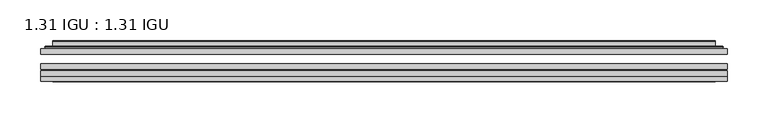
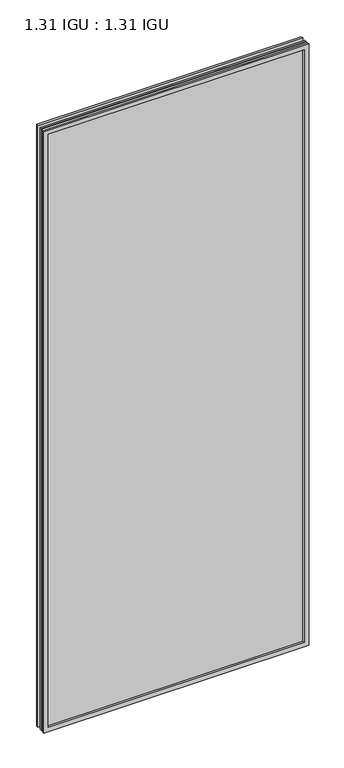
"""IFC4 building model written with IfcOpenShell, lengths in millimetres: plate geometry, 1.31 IGU : 1.31 IGU."""

from ifc_helpers import new_model, si_unit, frame, origin, place, context, project, spatial, polyline, ellipse_curve, outline, extrude, faceted_brep, source, transform, mapped, element, save
from ifc_brep_helpers import plane_surface, cylinder_surface, advanced_brep


def plate_1_31_igu_1_31_igu_866053e2(model_context):
    return source(origin(), model_context, "Body", "SolidModel", [
        extrude(outline(polyline([(419.1140393, -63.2975937), (419.1140393, -69.6475938), (-419.0998644, -69.6475938), (-419.0998644, -63.2975937), (419.1140393, -63.2975937)])), frame((0.0, 0.0, -14.2875), z_axis=(0.0, 0.0, 1.0), x_axis=(1.0, 0.0, 0.0)), (0.0, 0.0, 1.0), 2009.7787982),
        extrude(outline(polyline([(-419.0998644, -78.2835938), (-419.0998644, -71.9330887), (419.1140393, -71.9330887), (419.1140393, -78.2835938), (-419.0998644, -78.2835938)])), frame((0.0, 0.0, -14.2875), z_axis=(0.0, 0.0, 1.0), x_axis=(1.0, 0.0, 0.0)), (0.0, 0.0, 1.0), 2009.7787982),
        extrude(outline(polyline([(419.1140393, -44.9587937), (419.1140393, -51.3087938), (-419.0998644, -51.3087938), (-419.0998644, -44.9587937), (419.1140393, -44.9587937)])), frame((0.0, 0.0, -14.2875), z_axis=(0.0, 0.0, 1.0), x_axis=(1.0, 0.0, 0.0)), (0.0, 0.0, 1.0), 2009.7787982),
        faceted_brep([(-419.1125644, -84.6335937, 1995.5002003), (-419.1125644, -78.2835937, 1995.5002003), (-419.1125644, -78.2835937, -14.3002), (-419.1125644, -84.6335937, -14.3002), (419.1125644, -78.2835937, -14.3002), (419.1125644, -84.6335937, -14.3002), (419.1125644, -78.2835937, 1995.5002003), (419.1125644, -84.6335937, 1995.5002003), (-403.9146202, -78.2835937, 0.8977441), (403.9146202, -78.2835937, 0.8977441), (403.9146202, -78.2835937, 1980.3022561), (-403.9146202, -78.2835937, 1980.3022561), (-404.8070545, -84.6335937, 1981.1946904), (404.8070545, -84.6335937, 1981.1946904), (404.8070545, -84.6335937, 0.0053098), (-404.8070545, -84.6335937, 0.0053098)], [[[0, 1, 2, 3]], [[3, 2, 4, 5]], [[5, 4, 6, 7]], [[1, 6, 4, 2], [8, 9, 10, 11]], [[7, 6, 1, 0]], [[3, 5, 7, 0], [12, 13, 14, 15]], [[11, 12, 15, 8]], [[8, 15, 14, 9]], [[9, 14, 13, 10]], [[10, 13, 12, 11]]]),
        advanced_brep(
        [(-411.8585834, -44.9587937, 1988.2462193), (-414.2127888, -42.9691271, 1990.6004247), (-414.2127888, -42.9691271, -9.4004244), (-411.8585834, -44.9587937, -7.046219), (-402.7842583, -41.1187568, 1979.1718942), (-397.8494264, -44.9587937, 1974.2370623), (-397.8494264, -44.9587937, 6.9629379), (-402.7842583, -41.1187568, 2.0281061), (-403.816286, -35.7215256, 1980.2039219), (-403.816286, -35.7215256, 0.9960783), (-404.8069428, -35.3225507, 1981.1945787), (-404.8069428, -35.3225507, 0.0054216), (-404.8069428, -41.7837937, 1981.1945787), (-404.8069428, -41.7837937, 0.0054216), (-413.2109992, -41.7837937, 1989.5986351), (-413.2109992, -41.7837937, -8.3986349), (414.2127888, -42.9691271, -9.4004244), (411.8585834, -44.9587937, -7.046219), (397.8494264, -44.9587937, 6.9629379), (402.7842583, -41.1187568, 2.0281061), (403.816286, -35.7215256, 0.9960783), (404.8069428, -35.3225507, 0.0054216), (404.8069428, -41.7837937, 0.0054216), (413.2109992, -41.7837937, -8.3986349), (414.2127888, -42.9691271, 1990.6004247), (411.8585834, -44.9587937, 1988.2462193), (397.8494264, -44.9587937, 1974.2370623), (402.7842583, -41.1187568, 1979.1718942), (403.816286, -35.7215256, 1980.2039219), (404.8069428, -35.3225507, 1981.1945787), (404.8069428, -41.7837937, 1981.1945787), (413.2109992, -41.7837937, 1989.5986351)],
        [
            (0, 1, ellipse_curve(frame((-411.8585834, -42.5711937, 1988.2462193), z_axis=(-0.7071067811865475, 0.0, -0.7071067811865475), x_axis=(-0.7071067811865474, 0.0, 0.7071067811865476)), 3.3765763, 2.3876)),
            (1, 2),
            (2, 3, ellipse_curve(frame((-411.8585834, -42.5711937, -7.046219), z_axis=(-0.7071067811865475, 0.0, 0.7071067811865475), x_axis=(0.7071067811865474, 0.0, 0.7071067811865476)), 3.3765763, 2.3876)),
            (3, 0),
            (4, 5),
            (5, 6),
            (6, 7),
            (7, 4),
            (8, 4),
            (7, 9),
            (9, 8),
            (10, 8, ellipse_curve(frame((-404.4399862, -35.840786, 1980.8276221), z_axis=(-0.7071067811865475, 0.0, -0.7071067811865475), x_axis=(-0.7071067811865474, 0.0, 0.7071067811865476)), 0.8980256, 0.635)),
            (9, 11, ellipse_curve(frame((-404.4399862, -35.840786, 0.3723781), z_axis=(-0.7071067811865475, 0.0, 0.7071067811865475), x_axis=(0.7071067811865474, 0.0, 0.7071067811865476)), 0.8980256, 0.635)),
            (11, 10),
            (12, 10),
            (11, 13),
            (13, 12),
            (1, 14, ellipse_curve(frame((-413.2109992, -42.7997937, 1989.5986351), z_axis=(-0.7071067811865475, 0.0, -0.7071067811865475), x_axis=(-0.7071067811865474, 0.0, 0.7071067811865476)), 1.436841, 1.016)),
            (14, 15),
            (15, 2, ellipse_curve(frame((-413.2109992, -42.7997937, -8.3986349), z_axis=(-0.7071067811865475, 0.0, 0.7071067811865475), x_axis=(0.7071067811865474, 0.0, 0.7071067811865476)), 1.436841, 1.016)),
            (2, 16),
            (16, 17, ellipse_curve(frame((411.8585834, -42.5711937, -7.046219), z_axis=(-0.7071067811865475, 0.0, -0.7071067811865475), x_axis=(-0.7071067811865476, 0.0, 0.7071067811865474)), 3.3765763, 2.3876)),
            (17, 3),
            (6, 18),
            (18, 19),
            (19, 7),
            (19, 20),
            (20, 9),
            (20, 21, ellipse_curve(frame((404.4399862, -35.840786, 0.3723781), z_axis=(-0.7071067811865475, 0.0, -0.7071067811865475), x_axis=(-0.7071067811865476, 0.0, 0.7071067811865474)), 0.8980256, 0.635)),
            (21, 11),
            (21, 22),
            (22, 13),
            (15, 23),
            (23, 16, ellipse_curve(frame((413.2109992, -42.7997937, -8.3986349), z_axis=(-0.7071067811865475, 0.0, -0.7071067811865475), x_axis=(-0.7071067811865476, 0.0, 0.7071067811865474)), 1.436841, 1.016)),
            (16, 24),
            (24, 25, ellipse_curve(frame((411.8585834, -42.5711937, 1988.2462193), z_axis=(0.7071067811865475, 0.0, -0.7071067811865475), x_axis=(-0.7071067811865474, 0.0, -0.7071067811865476)), 3.3765763, 2.3876)),
            (25, 17),
            (18, 26),
            (26, 27),
            (27, 19),
            (27, 28),
            (28, 20),
            (28, 29, ellipse_curve(frame((404.4399862, -35.840786, 1980.8276221), z_axis=(0.7071067811865475, 0.0, -0.7071067811865475), x_axis=(-0.7071067811865474, 0.0, -0.7071067811865476)), 0.8980256, 0.635)),
            (29, 21),
            (29, 30),
            (30, 22),
            (23, 31),
            (31, 24, ellipse_curve(frame((413.2109992, -42.7997937, 1989.5986351), z_axis=(0.7071067811865475, 0.0, -0.7071067811865475), x_axis=(-0.7071067811865474, 0.0, -0.7071067811865476)), 1.436841, 1.016)),
            (24, 1),
            (0, 25),
            (5, 26),
            (4, 27),
            (8, 28),
            (10, 29),
            (12, 30),
            (14, 31),
        ],
        [
            cylinder_surface(frame((-411.8585834, -42.5711937, 2012.9500003), z_axis=(0.0, 0.0, 1.0), x_axis=(-1.0, 0.0, 0.0)), 2.3876),
            plane_surface(frame((-397.8494264, -44.9587937, 1974.2370623), z_axis=(0.6141233906514794, 0.7892100234124821, 0.0), x_axis=(0.0, 0.0, -1.0))),
            plane_surface(frame((-402.7842583, -41.1187568, 1979.1718942), z_axis=(0.9822050625507729, 0.18781164793386076, 0.0), x_axis=(0.0, 0.0, -1.0))),
            cylinder_surface(frame((-404.4399862, -35.840786, 2012.9500003), z_axis=(0.0, 0.0, 1.0), x_axis=(-1.0, 0.0, 0.0)), 0.635),
            plane_surface(frame((-404.8069428, -35.3225507, 1981.1945787), z_axis=(-1.0, 0.0, 0.0), x_axis=(0.0, 0.0, -1.0))),
            cylinder_surface(frame((-413.2109992, -42.7997937, 2012.9500003), z_axis=(0.0, 0.0, 1.0), x_axis=(-1.0, 0.0, 0.0)), 1.016),
            cylinder_surface(frame((-436.5623644, -42.5711937, -7.046219), z_axis=(-1.0, 0.0, 0.0), x_axis=(0.0, 0.0, -1.0)), 2.3876),
            plane_surface(frame((-397.8494264, -44.9587937, 6.9629379), z_axis=(0.0, 0.7892100234124841, 0.6141233906514768), x_axis=(1.0, 0.0, 0.0))),
            plane_surface(frame((-402.7842583, -41.1187568, 2.0281061), z_axis=(0.0, 0.18781164793386393, 0.9822050625507723), x_axis=(1.0, 0.0, 0.0))),
            cylinder_surface(frame((-436.5623644, -35.840786, 0.3723781), z_axis=(-1.0, 0.0, 0.0), x_axis=(0.0, 0.0, -1.0)), 0.635),
            plane_surface(frame((-404.8069428, -35.3225507, 0.0054216), z_axis=(0.0, 0.0, -1.0), x_axis=(1.0, 0.0, 0.0))),
            cylinder_surface(frame((-436.5623644, -42.7997937, -8.3986349), z_axis=(-1.0, 0.0, 0.0), x_axis=(0.0, 0.0, -1.0)), 1.016),
            cylinder_surface(frame((411.8585834, -42.5711937, -31.75), z_axis=(0.0, 0.0, -1.0), x_axis=(1.0, 0.0, 0.0)), 2.3876),
            plane_surface(frame((397.8494264, -44.9587937, 6.9629379), z_axis=(-0.6141233906514743, 0.7892100234124861, 0.0), x_axis=(0.0, 0.0, 1.0))),
            plane_surface(frame((402.7842583, -41.1187568, 2.0281061), z_axis=(-0.9822050625507718, 0.1878116479338671, 0.0), x_axis=(0.0, 0.0, 1.0))),
            cylinder_surface(frame((404.4399862, -35.840786, -31.75), z_axis=(0.0, 0.0, -1.0), x_axis=(1.0, 0.0, 0.0)), 0.635),
            plane_surface(frame((404.8069428, -35.3225507, 0.0054216), z_axis=(1.0, 0.0, 0.0), x_axis=(0.0, 0.0, 1.0))),
            cylinder_surface(frame((413.2109992, -42.7997937, -31.75), z_axis=(0.0, 0.0, -1.0), x_axis=(1.0, 0.0, 0.0)), 1.016),
            cylinder_surface(frame((436.5623644, -42.5711937, 1988.2462193), z_axis=(1.0, 0.0, 0.0), x_axis=(0.0, 0.0, 1.0)), 2.3876),
            plane_surface(frame((411.8585834, -44.9587937, 1988.2462193), z_axis=(0.0, -1.0, 0.0), x_axis=(-1.0, 0.0, 0.0))),
            plane_surface(frame((397.8494264, -44.9587937, 1974.2370623), z_axis=(0.0, 0.7892100234124841, -0.6141233906514768), x_axis=(-1.0, 0.0, 0.0))),
            plane_surface(frame((402.7842583, -41.1187568, 1979.1718942), z_axis=(0.0, 0.18781164793386393, -0.9822050625507723), x_axis=(-1.0, 0.0, 0.0))),
            cylinder_surface(frame((436.5623644, -35.840786, 1980.8276221), z_axis=(1.0, 0.0, 0.0), x_axis=(0.0, 0.0, 1.0)), 0.635),
            plane_surface(frame((404.8069428, -35.3225507, 1981.1945787), z_axis=(0.0, 0.0, 1.0), x_axis=(-1.0, 0.0, 0.0))),
            plane_surface(frame((404.8069428, -41.7837937, 1981.1945787), z_axis=(0.0, 1.0, 0.0), x_axis=(-1.0, 0.0, 0.0))),
            cylinder_surface(frame((436.5623644, -42.7997937, 1989.5986351), z_axis=(1.0, 0.0, 0.0), x_axis=(0.0, 0.0, 1.0)), 1.016),
        ],
        [
            (0, [[1, 2, 3, 4]]),
            (1, [[5, 6, 7, 8]]),
            (2, [[9, -8, 10, 11]]),
            (3, [[12, -11, 13, 14]]),
            (4, [[15, -14, 16, 17]]),
            (5, [[18, 19, 20, -2]]),
            (6, [[-3, 21, 22, 23]]),
            (7, [[-7, 24, 25, 26]]),
            (8, [[-10, -26, 27, 28]]),
            (9, [[-13, -28, 29, 30]]),
            (10, [[-16, -30, 31, 32]]),
            (11, [[-20, 33, 34, -21]]),
            (12, [[-22, 35, 36, 37]]),
            (13, [[-25, 38, 39, 40]]),
            (14, [[-27, -40, 41, 42]]),
            (15, [[-29, -42, 43, 44]]),
            (16, [[-31, -44, 45, 46]]),
            (17, [[-34, 47, 48, -35]]),
            (18, [[-36, 49, -1, 50]]),
            (19, [[-23, -37, -50, -4], [51, -38, -24, -6]]),
            (20, [[-39, -51, -5, 52]]),
            (21, [[-41, -52, -9, 53]]),
            (22, [[-43, -53, -12, 54]]),
            (23, [[-45, -54, -15, 55]]),
            (24, [[56, -47, -33, -19], [-32, -46, -55, -17]]),
            (25, [[-48, -56, -18, -49]]),
        ],
    ),
    ])


if __name__ == "__main__":
    model = new_model("IFC4")
    model_context = context("Model", 3, world=origin())
    ifc_project = project(units=[si_unit("LENGTHUNIT", "METRE", prefix="MILLI")], contexts=[model_context])
    site = spatial("IfcSite", under=ifc_project)
    building = spatial("IfcBuilding", under=site)
    placement = place(None, origin())
    plate_1_31_igu_1_31_igu_shape = plate_1_31_igu_1_31_igu_866053e2(model_context)
    element("IfcPlate", 1, ObjectType="1.31 IGU : 1.31 IGU", at=placement, inside=building, context=model_context, shape_type="MappedRepresentation", body=[
        mapped(plate_1_31_igu_1_31_igu_shape, transform((0.0, 0.0, 0.0), x_axis=(1.0, 0.0, 0.0), y_axis=(0.0, 1.0, 0.0), z_axis=(0.0, 0.0, 1.0))),
    ])
    save(model, "model.ifc")
